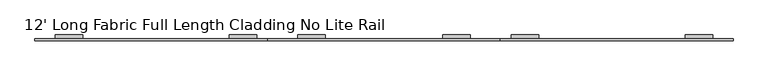
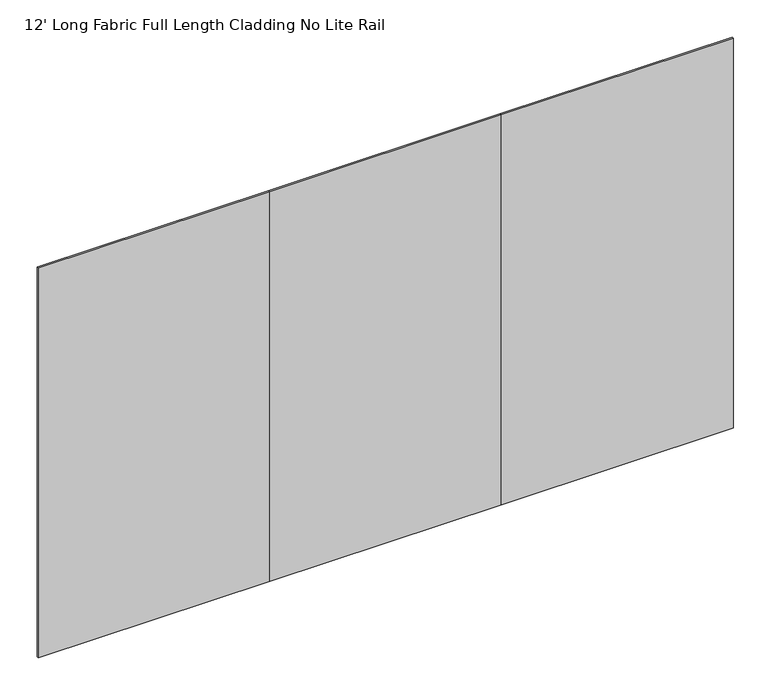
"""IFC4 building model written with IfcOpenShell, lengths in millimetres: furniture geometry, 12' Long Fabric Full Length Cladding No Lite Rail."""

from ifc_helpers import new_model, si_unit, frame, origin, place, context, project, spatial, polyline, outline, extrude, source, transform, mapped, element, save


def furniture_12_long_fabric_full_length_cladding_no_lite_rail_55963839(model_context):
    return source(origin(), model_context, "Body", "SweptSolid", [
        extrude(outline(polyline([(3661.41, -4.7752), (2440.94, -4.7752), (2440.94, 4.7498), (3661.41, 4.7498), (3661.41, -4.7752)])), frame((0.0, 0.0, 12.7), z_axis=(0.0, 0.0, 1.0), x_axis=(1.0, 0.0, 0.0)), (0.0, 0.0, 1.0), 2173.6010468),
        extrude(outline(polyline([(2440.94, -4.7752), (1220.47, -4.7752), (1220.47, 4.7498), (2440.94, 4.7498), (2440.94, -4.7752)])), frame((0.0, 0.0, 12.7), z_axis=(0.0, 0.0, 1.0), x_axis=(1.0, 0.0, 0.0)), (0.0, 0.0, 1.0), 2173.6010468),
        extrude(outline(polyline([(1220.47, -4.7752), (0.0, -4.7752), (0.0, 4.7498), (1220.47, 4.7498), (1220.47, -4.7752)])), frame((0.0, 0.0, 12.7), z_axis=(0.0, 0.0, 1.0), x_axis=(1.0, 0.0, 0.0)), (0.0, 0.0, 1.0), 2173.6010468),
        extrude(outline(polyline([(4.7498, 2116.3226334), (24.8177997, 2116.3226334), (24.8177997, 2115.4106251), (5.6618003, 2115.4106251), (5.6618003, 2083.5286322), (24.8177997, 2083.5286322), (24.8177997, 2079.4995474), (5.6618003, 2079.4995474), (5.6618003, 2013.998531), (4.7498, 2013.998531), (4.7498, 2116.3226334)])), frame((2497.174988, 0.0, 0.0), z_axis=(1.0, 0.0, 0.0), x_axis=(0.0, 1.0, 0.0)), (0.0, 0.0, 1.0), 144.4200002),
        extrude(outline(polyline([(4.7498, 2116.3226334), (24.8177997, 2116.3226334), (24.8177997, 2115.4106251), (5.6618003, 2115.4106251), (5.6618003, 2083.5286322), (24.8177997, 2083.5286322), (24.8177997, 2079.4995474), (5.6618003, 2079.4995474), (5.6618003, 2013.998531), (4.7498, 2013.998531), (4.7498, 2116.3226334)])), frame((1019.770017, 0.0, 0.0), z_axis=(1.0, 0.0, 0.0), x_axis=(0.0, 1.0, 0.0)), (0.0, 0.0, 1.0), 144.4200002),
        extrude(outline(polyline([(4.7498, 2116.3226334), (24.8177997, 2116.3226334), (24.8177997, 2115.4106251), (5.6618003, 2115.4106251), (5.6618003, 2083.5286322), (24.8177997, 2083.5286322), (24.8177997, 2079.4995474), (5.6618003, 2079.4995474), (5.6618003, 2013.998531), (4.7498, 2013.998531), (4.7498, 2116.3226334)])), frame((2138.6850118, 0.0, 0.0), z_axis=(1.0, 0.0, 0.0), x_axis=(0.0, 1.0, 0.0)), (0.0, 0.0, 1.0), 144.4200002),
        extrude(outline(polyline([(4.7498, 2116.3245525), (24.8177997, 2116.3245525), (24.8177997, 2115.4125443), (5.6618003, 2115.4125443), (5.6618003, 2083.5305513), (24.8177997, 2083.5305513), (24.8177997, 2079.5014665), (5.6618003, 2079.5014665), (5.6618003, 2013.9995483), (4.7498, 2013.9995483), (4.7498, 2116.3245525)])), frame((3409.910017, 0.0, 0.0), z_axis=(1.0, 0.0, 0.0), x_axis=(0.0, 1.0, 0.0)), (0.0, 0.0, 1.0), 144.4200002),
        extrude(outline(polyline([(4.7498, 2116.3245525), (24.8177997, 2116.3245525), (24.8177997, 2115.4125443), (5.6618003, 2115.4125443), (5.6618003, 2083.5305513), (24.8177997, 2083.5305513), (24.8177997, 2079.5014665), (5.6618003, 2079.5014665), (5.6618003, 2013.9995483), (4.7498, 2013.9995483), (4.7498, 2116.3245525)])), frame((1378.304988, 0.0, 0.0), z_axis=(1.0, 0.0, 0.0), x_axis=(0.0, 1.0, 0.0)), (0.0, 0.0, 1.0), 144.4200002),
        extrude(outline(polyline([(4.7498, 2116.3226334), (24.8177997, 2116.3226334), (24.8177997, 2115.4106251), (5.6618003, 2115.4106251), (5.6618003, 2083.5286322), (24.8177997, 2083.5286322), (24.8177997, 2079.4995474), (5.6618003, 2079.4995474), (5.6618003, 2013.998531), (4.7498, 2013.998531), (4.7498, 2116.3226334)])), frame((107.0799829, 0.0, 0.0), z_axis=(1.0, 0.0, 0.0), x_axis=(0.0, 1.0, 0.0)), (0.0, 0.0, 1.0), 144.4200002),
    ])


if __name__ == "__main__":
    model = new_model("IFC4")
    model_context = context("Model", 3, world=origin())
    ifc_project = project(units=[si_unit("LENGTHUNIT", "METRE", prefix="MILLI")], contexts=[model_context])
    site = spatial("IfcSite", under=ifc_project)
    building = spatial("IfcBuilding", under=site)
    placement = place(None, origin())
    furniture_12_long_fabric_full_length_cladding_no_lite_rail_shape = furniture_12_long_fabric_full_length_cladding_no_lite_rail_55963839(model_context)
    element("IfcFurniture", 1, ObjectType="12' Long Fabric Full Length Cladding No Lite Rail", at=placement, inside=building, context=model_context, shape_type="MappedRepresentation", body=[
        mapped(furniture_12_long_fabric_full_length_cladding_no_lite_rail_shape, transform((0.0, 0.0, 0.0), x_axis=(1.0, 0.0, 0.0), y_axis=(0.0, 1.0, 0.0), z_axis=(0.0, 0.0, 1.0))),
    ])
    save(model, "model.ifc")
